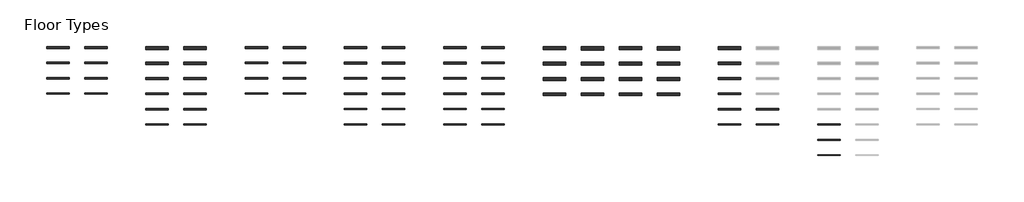
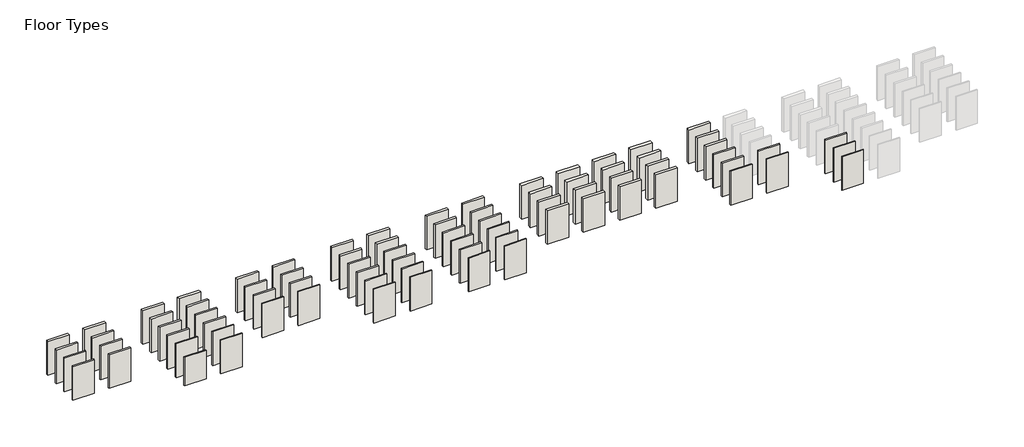
# One storey, part 1 of 3: 79 walls.
"""IFC4 building model written with IfcOpenShell, lengths in millimetres."""

from ifc_helpers import new_model, si_unit, origin, origin_with_axes, place, context, project, spatial, polyline, outline, extrude, element, save

model = new_model("IFC4")

# Units and contexts
model_context = context("Model", 3, world=origin())
ifc_project = project(units=[si_unit("LENGTHUNIT", "METRE", prefix="MILLI")], contexts=[model_context])

# Site, building, storey
site = spatial("IfcSite", under=ifc_project)
building = spatial("IfcBuilding", under=site)
storey = spatial("IfcBuildingStorey", under=building, Name="Floor Types", Elevation=0.0)

# Walls
placement = place(None, origin())
element("IfcWall", 1, at=placement, inside=storey, context=model_context, shape_type="SweptSolid", body=[
    extrude(outline(polyline([(1895.8282137, -12238.7890119), (448.019692, -12238.7890119), (448.019692, -12088.7890119), (1895.8282137, -12088.7890119), (1895.8282137, -12238.7890119)])), origin_with_axes(), (0.0, 0.0, 1.0), 2400.0),
])
element("IfcWall", 2, at=placement, inside=storey, context=model_context, shape_type="SweptSolid", body=[
    extrude(outline(polyline([(4343.6367353, -12238.7890119), (2895.8282137, -12238.7890119), (2895.8282137, -12088.7890119), (4343.6367353, -12088.7890119), (4343.6367353, -12238.7890119)])), origin_with_axes(), (0.0, 0.0, 1.0), 2400.0),
])
element("IfcWall", 3, at=placement, inside=storey, context=model_context, shape_type="SweptSolid", body=[
    extrude(outline(polyline([(1895.8282137, -13208.7890119), (448.019692, -13208.7890119), (448.019692, -13088.7890119), (1895.8282137, -13088.7890119), (1895.8282137, -13208.7890119)])), origin_with_axes(), (0.0, 0.0, 1.0), 2400.0),
])
element("IfcWall", 4, at=placement, inside=storey, context=model_context, shape_type="SweptSolid", body=[
    extrude(outline(polyline([(4343.6367353, -13208.7890119), (2895.8282137, -13208.7890119), (2895.8282137, -13088.7890119), (4343.6367353, -13088.7890119), (4343.6367353, -13208.7890119)])), origin_with_axes(), (0.0, 0.0, 1.0), 2400.0),
])
element("IfcWall", 5, at=placement, inside=storey, context=model_context, shape_type="SweptSolid", body=[
    extrude(outline(polyline([(1895.8282137, -14188.7890119), (448.019692, -14188.7890119), (448.019692, -14088.7890119), (1895.8282137, -14088.7890119), (1895.8282137, -14188.7890119)])), origin_with_axes(), (0.0, 0.0, 1.0), 2400.0),
])
element("IfcWall", 6, at=placement, inside=storey, context=model_context, shape_type="SweptSolid", body=[
    extrude(outline(polyline([(4343.6367353, -14188.7890119), (2895.8282137, -14188.7890119), (2895.8282137, -14088.7890119), (4343.6367353, -14088.7890119), (4343.6367353, -14188.7890119)])), origin_with_axes(), (0.0, 0.0, 1.0), 2400.0),
])
element("IfcWall", 7, at=placement, inside=storey, context=model_context, shape_type="SweptSolid", body=[
    extrude(outline(polyline([(1895.8282137, -15168.7890119), (448.019692, -15168.7890119), (448.019692, -15088.7890119), (1895.8282137, -15088.7890119), (1895.8282137, -15168.7890119)])), origin_with_axes(), (0.0, 0.0, 1.0), 2400.0),
])
element("IfcWall", 8, at=placement, inside=storey, context=model_context, shape_type="SweptSolid", body=[
    extrude(outline(polyline([(4343.6367353, -15168.7890119), (2895.8282137, -15168.7890119), (2895.8282137, -15088.7890119), (4343.6367353, -15088.7890119), (4343.6367353, -15168.7890119)])), origin_with_axes(), (0.0, 0.0, 1.0), 2400.0),
])
element("IfcWall", 9, at=placement, inside=storey, context=model_context, shape_type="SweptSolid", body=[
    extrude(outline(polyline([(-10895.4058729, -13208.7890119), (-12343.2143946, -13208.7890119), (-12343.2143946, -13088.7890119), (-10895.4058729, -13088.7890119), (-10895.4058729, -13208.7890119)])), origin_with_axes(), (0.0, 0.0, 1.0), 2400.0),
])
element("IfcWall", 10, at=placement, inside=storey, context=model_context, shape_type="SweptSolid", body=[
    extrude(outline(polyline([(-8447.5973513, -13208.7890119), (-9895.4058729, -13208.7890119), (-9895.4058729, -13088.7890119), (-8447.5973513, -13088.7890119), (-8447.5973513, -13208.7890119)])), origin_with_axes(), (0.0, 0.0, 1.0), 2400.0),
])
element("IfcWall", 11, at=placement, inside=storey, context=model_context, shape_type="SweptSolid", body=[
    extrude(outline(polyline([(-10895.4058729, -14188.7890119), (-12343.2143946, -14188.7890119), (-12343.2143946, -14088.7890119), (-10895.4058729, -14088.7890119), (-10895.4058729, -14188.7890119)])), origin_with_axes(), (0.0, 0.0, 1.0), 2400.0),
])
element("IfcWall", 12, at=placement, inside=storey, context=model_context, shape_type="SweptSolid", body=[
    extrude(outline(polyline([(-8447.5973513, -14188.7890119), (-9895.4058729, -14188.7890119), (-9895.4058729, -14088.7890119), (-8447.5973513, -14088.7890119), (-8447.5973513, -14188.7890119)])), origin_with_axes(), (0.0, 0.0, 1.0), 2400.0),
])
element("IfcWall", 13, at=placement, inside=storey, context=model_context, shape_type="SweptSolid", body=[
    extrude(outline(polyline([(-10895.4058729, -15168.7890119), (-12343.2143946, -15168.7890119), (-12343.2143946, -15088.7890119), (-10895.4058729, -15088.7890119), (-10895.4058729, -15168.7890119)])), origin_with_axes(), (0.0, 0.0, 1.0), 2400.0),
])
element("IfcWall", 14, at=placement, inside=storey, context=model_context, shape_type="SweptSolid", body=[
    extrude(outline(polyline([(-8447.5973513, -15168.7890119), (-9895.4058729, -15168.7890119), (-9895.4058729, -15088.7890119), (-8447.5973513, -15088.7890119), (-8447.5973513, -15168.7890119)])), origin_with_axes(), (0.0, 0.0, 1.0), 2400.0),
])
element("IfcWall", 15, at=placement, inside=storey, context=model_context, shape_type="SweptSolid", body=[
    extrude(outline(polyline([(-10895.4058729, -12238.7890119), (-12343.2143946, -12238.7890119), (-12343.2143946, -12088.7890119), (-10895.4058729, -12088.7890119), (-10895.4058729, -12238.7890119)])), origin_with_axes(), (0.0, 0.0, 1.0), 2400.0),
])
element("IfcWall", 16, at=placement, inside=storey, context=model_context, shape_type="SweptSolid", body=[
    extrude(outline(polyline([(-8447.5973513, -12238.7890119), (-9895.4058729, -12238.7890119), (-9895.4058729, -12088.7890119), (-8447.5973513, -12088.7890119), (-8447.5973513, -12238.7890119)])), origin_with_axes(), (0.0, 0.0, 1.0), 2400.0),
])
element("IfcWall", 17, at=placement, inside=storey, context=model_context, shape_type="SweptSolid", body=[
    extrude(outline(polyline([(8291.445257, -12238.7890119), (6843.6367353, -12238.7890119), (6843.6367353, -12088.7890119), (8291.445257, -12088.7890119), (8291.445257, -12238.7890119)])), origin_with_axes(), (0.0, 0.0, 1.0), 2400.0),
])
element("IfcWall", 18, at=placement, inside=storey, context=model_context, shape_type="SweptSolid", body=[
    extrude(outline(polyline([(10739.2537786, -12238.7890119), (9291.445257, -12238.7890119), (9291.445257, -12088.7890119), (10739.2537786, -12088.7890119), (10739.2537786, -12238.7890119)])), origin_with_axes(), (0.0, 0.0, 1.0), 2400.0),
])
element("IfcWall", 19, at=placement, inside=storey, context=model_context, shape_type="SweptSolid", body=[
    extrude(outline(polyline([(8291.445257, -13228.7890119), (6843.6367353, -13228.7890119), (6843.6367353, -13088.7890119), (8291.445257, -13088.7890119), (8291.445257, -13228.7890119)])), origin_with_axes(), (0.0, 0.0, 1.0), 2400.0),
])
element("IfcWall", 20, at=placement, inside=storey, context=model_context, shape_type="SweptSolid", body=[
    extrude(outline(polyline([(10739.2537786, -13228.7890119), (9291.445257, -13228.7890119), (9291.445257, -13088.7890119), (10739.2537786, -13088.7890119), (10739.2537786, -13228.7890119)])), origin_with_axes(), (0.0, 0.0, 1.0), 2400.0),
])
element("IfcWall", 21, at=placement, inside=storey, context=model_context, shape_type="SweptSolid", body=[
    extrude(outline(polyline([(8291.445257, -14208.7890119), (6843.6367353, -14208.7890119), (6843.6367353, -14088.7890119), (8291.445257, -14088.7890119), (8291.445257, -14208.7890119)])), origin_with_axes(), (0.0, 0.0, 1.0), 2400.0),
])
element("IfcWall", 22, at=placement, inside=storey, context=model_context, shape_type="SweptSolid", body=[
    extrude(outline(polyline([(10739.2537786, -14208.7890119), (9291.445257, -14208.7890119), (9291.445257, -14088.7890119), (10739.2537786, -14088.7890119), (10739.2537786, -14208.7890119)])), origin_with_axes(), (0.0, 0.0, 1.0), 2400.0),
])
element("IfcWall", 23, at=placement, inside=storey, context=model_context, shape_type="SweptSolid", body=[
    extrude(outline(polyline([(8291.445257, -15188.7890119), (6843.6367353, -15188.7890119), (6843.6367353, -15088.7890119), (8291.445257, -15088.7890119), (8291.445257, -15188.7890119)])), origin_with_axes(), (0.0, 0.0, 1.0), 2400.0),
])
element("IfcWall", 24, at=placement, inside=storey, context=model_context, shape_type="SweptSolid", body=[
    extrude(outline(polyline([(10739.2537786, -15188.7890119), (9291.445257, -15188.7890119), (9291.445257, -15088.7890119), (10739.2537786, -15088.7890119), (10739.2537786, -15188.7890119)])), origin_with_axes(), (0.0, 0.0, 1.0), 2400.0),
])
element("IfcWall", 25, at=placement, inside=storey, context=model_context, shape_type="SweptSolid", body=[
    extrude(outline(polyline([(8291.445257, -16168.7890119), (6843.6367353, -16168.7890119), (6843.6367353, -16088.7890119), (8291.445257, -16088.7890119), (8291.445257, -16168.7890119)])), origin_with_axes(), (0.0, 0.0, 1.0), 2400.0),
])
element("IfcWall", 26, at=placement, inside=storey, context=model_context, shape_type="SweptSolid", body=[
    extrude(outline(polyline([(10739.2537786, -16168.7890119), (9291.445257, -16168.7890119), (9291.445257, -16088.7890119), (10739.2537786, -16088.7890119), (10739.2537786, -16168.7890119)])), origin_with_axes(), (0.0, 0.0, 1.0), 2400.0),
])
element("IfcWall", 27, at=placement, inside=storey, context=model_context, shape_type="SweptSolid", body=[
    extrude(outline(polyline([(8291.445257, -17148.7890119), (6843.6367353, -17148.7890119), (6843.6367353, -17088.7890119), (8291.445257, -17088.7890119), (8291.445257, -17148.7890119)])), origin_with_axes(), (0.0, 0.0, 1.0), 2400.0),
])
element("IfcWall", 28, at=placement, inside=storey, context=model_context, shape_type="SweptSolid", body=[
    extrude(outline(polyline([(10739.2537786, -17148.7890119), (9291.445257, -17148.7890119), (9291.445257, -17088.7890119), (10739.2537786, -17088.7890119), (10739.2537786, -17148.7890119)])), origin_with_axes(), (0.0, 0.0, 1.0), 2400.0),
])
element("IfcWall", 29, at=placement, inside=storey, context=model_context, shape_type="SweptSolid", body=[
    extrude(outline(polyline([(14687.0623003, -12238.7890119), (13239.2537786, -12238.7890119), (13239.2537786, -12088.7890119), (14687.0623003, -12088.7890119), (14687.0623003, -12238.7890119)])), origin_with_axes(), (0.0, 0.0, 1.0), 2400.0),
])
element("IfcWall", 30, at=placement, inside=storey, context=model_context, shape_type="SweptSolid", body=[
    extrude(outline(polyline([(17134.8708219, -12238.7890119), (15687.0623003, -12238.7890119), (15687.0623003, -12088.7890119), (17134.8708219, -12088.7890119), (17134.8708219, -12238.7890119)])), origin_with_axes(), (0.0, 0.0, 1.0), 2400.0),
])
element("IfcWall", 31, at=placement, inside=storey, context=model_context, shape_type="SweptSolid", body=[
    extrude(outline(polyline([(14687.0623003, -14208.7890119), (13239.2537786, -14208.7890119), (13239.2537786, -14088.7890119), (14687.0623003, -14088.7890119), (14687.0623003, -14208.7890119)])), origin_with_axes(), (0.0, 0.0, 1.0), 2400.0),
])
element("IfcWall", 32, at=placement, inside=storey, context=model_context, shape_type="SweptSolid", body=[
    extrude(outline(polyline([(17134.8708219, -14208.7890119), (15687.0623003, -14208.7890119), (15687.0623003, -14088.7890119), (17134.8708219, -14088.7890119), (17134.8708219, -14208.7890119)])), origin_with_axes(), (0.0, 0.0, 1.0), 2400.0),
])
element("IfcWall", 33, at=placement, inside=storey, context=model_context, shape_type="SweptSolid", body=[
    extrude(outline(polyline([(14687.0623003, -15188.7890119), (13239.2537786, -15188.7890119), (13239.2537786, -15088.7890119), (14687.0623003, -15088.7890119), (14687.0623003, -15188.7890119)])), origin_with_axes(), (0.0, 0.0, 1.0), 2400.0),
])
element("IfcWall", 34, at=placement, inside=storey, context=model_context, shape_type="SweptSolid", body=[
    extrude(outline(polyline([(17134.8708219, -15188.7890119), (15687.0623003, -15188.7890119), (15687.0623003, -15088.7890119), (17134.8708219, -15088.7890119), (17134.8708219, -15188.7890119)])), origin_with_axes(), (0.0, 0.0, 1.0), 2400.0),
])
element("IfcWall", 35, at=placement, inside=storey, context=model_context, shape_type="SweptSolid", body=[
    extrude(outline(polyline([(14687.0623003, -16168.7890119), (13239.2537786, -16168.7890119), (13239.2537786, -16088.7890119), (14687.0623003, -16088.7890119), (14687.0623003, -16168.7890119)])), origin_with_axes(), (0.0, 0.0, 1.0), 2400.0),
])
element("IfcWall", 36, at=placement, inside=storey, context=model_context, shape_type="SweptSolid", body=[
    extrude(outline(polyline([(17134.8708219, -16168.7890119), (15687.0623003, -16168.7890119), (15687.0623003, -16088.7890119), (17134.8708219, -16088.7890119), (17134.8708219, -16168.7890119)])), origin_with_axes(), (0.0, 0.0, 1.0), 2400.0),
])
element("IfcWall", 37, at=placement, inside=storey, context=model_context, shape_type="SweptSolid", body=[
    extrude(outline(polyline([(14687.0623003, -17148.7890119), (13239.2537786, -17148.7890119), (13239.2537786, -17088.7890119), (14687.0623003, -17088.7890119), (14687.0623003, -17148.7890119)])), origin_with_axes(), (0.0, 0.0, 1.0), 2400.0),
])
element("IfcWall", 38, at=placement, inside=storey, context=model_context, shape_type="SweptSolid", body=[
    extrude(outline(polyline([(17134.8708219, -17148.7890119), (15687.0623003, -17148.7890119), (15687.0623003, -17088.7890119), (17134.8708219, -17088.7890119), (17134.8708219, -17148.7890119)])), origin_with_axes(), (0.0, 0.0, 1.0), 2400.0),
])
element("IfcWall", 39, at=placement, inside=storey, context=model_context, shape_type="SweptSolid", body=[
    extrude(outline(polyline([(14687.0623003, -13228.7890119), (13239.2537786, -13228.7890119), (13239.2537786, -13088.7890119), (14687.0623003, -13088.7890119), (14687.0623003, -13228.7890119)])), origin_with_axes(), (0.0, 0.0, 1.0), 2400.0),
])
element("IfcWall", 40, at=placement, inside=storey, context=model_context, shape_type="SweptSolid", body=[
    extrude(outline(polyline([(17134.8708219, -13207.7890119), (15687.0623003, -13207.7890119), (15687.0623003, -13087.7890119), (17134.8708219, -13087.7890119), (17134.8708219, -13207.7890119)])), origin_with_axes(), (0.0, 0.0, 1.0), 2400.0),
])
element("IfcWall", 41, at=placement, inside=storey, context=model_context, shape_type="SweptSolid", body=[
    extrude(outline(polyline([(32373.9134302, -12288.7890119), (30926.1049085, -12288.7890119), (30926.1049085, -12088.7890119), (32373.9134302, -12088.7890119), (32373.9134302, -12288.7890119)])), origin_with_axes(), (0.0, 0.0, 1.0), 2400.0),
])
element("IfcWall", 42, at=placement, inside=storey, context=model_context, shape_type="SweptSolid", body=[
    extrude(outline(polyline([(32373.9134302, -13258.7890119), (30926.1049085, -13258.7890119), (30926.1049085, -13088.7890119), (32373.9134302, -13088.7890119), (32373.9134302, -13258.7890119)])), origin_with_axes(), (0.0, 0.0, 1.0), 2400.0),
])
element("IfcWall", 43, at=placement, inside=storey, context=model_context, shape_type="SweptSolid", body=[
    extrude(outline(polyline([(32373.9134302, -14238.7890119), (30926.1049085, -14238.7890119), (30926.1049085, -14088.7890119), (32373.9134302, -14088.7890119), (32373.9134302, -14238.7890119)])), origin_with_axes(), (0.0, 0.0, 1.0), 2400.0),
])
element("IfcWall", 44, at=placement, inside=storey, context=model_context, shape_type="SweptSolid", body=[
    extrude(outline(polyline([(32373.9134302, -15208.7890119), (30926.1049085, -15208.7890119), (30926.1049085, -15088.7890119), (32373.9134302, -15088.7890119), (32373.9134302, -15208.7890119)])), origin_with_axes(), (0.0, 0.0, 1.0), 2400.0),
])
element("IfcWall", 45, at=placement, inside=storey, context=model_context, shape_type="SweptSolid", body=[
    extrude(outline(polyline([(32373.9134302, -16188.7890119), (30926.1049085, -16188.7890119), (30926.1049085, -16088.7890119), (32373.9134302, -16088.7890119), (32373.9134302, -16188.7890119)])), origin_with_axes(), (0.0, 0.0, 1.0), 2400.0),
])
element("IfcWall", 46, at=placement, inside=storey, context=model_context, shape_type="SweptSolid", body=[
    extrude(outline(polyline([(34821.7219518, -16188.7890119), (33373.9134302, -16188.7890119), (33373.9134302, -16088.7890119), (34821.7219518, -16088.7890119), (34821.7219518, -16188.7890119)])), origin_with_axes(), (0.0, 0.0, 1.0), 2400.0),
])
element("IfcWall", 47, at=placement, inside=storey, context=model_context, shape_type="SweptSolid", body=[
    extrude(outline(polyline([(32373.9134302, -17168.7890119), (30926.1049085, -17168.7890119), (30926.1049085, -17088.7890119), (32373.9134302, -17088.7890119), (32373.9134302, -17168.7890119)])), origin_with_axes(), (0.0, 0.0, 1.0), 2400.0),
])
element("IfcWall", 48, at=placement, inside=storey, context=model_context, shape_type="SweptSolid", body=[
    extrude(outline(polyline([(34821.7219518, -17168.7890119), (33373.9134302, -17168.7890119), (33373.9134302, -17088.7890119), (34821.7219518, -17088.7890119), (34821.7219518, -17168.7890119)])), origin_with_axes(), (0.0, 0.0, 1.0), 2400.0),
])
element("IfcWall", 49, at=placement, inside=storey, context=model_context, shape_type="SweptSolid", body=[
    extrude(outline(polyline([(38769.5304735, -17168.7890119), (37321.7219518, -17168.7890119), (37321.7219518, -17088.7890119), (38769.5304735, -17088.7890119), (38769.5304735, -17168.7890119)])), origin_with_axes(), (0.0, 0.0, 1.0), 2400.0),
])
element("IfcWall", 50, at=placement, inside=storey, context=model_context, shape_type="SweptSolid", body=[
    extrude(outline(polyline([(38769.5304735, -18148.7890119), (37321.7219518, -18148.7890119), (37321.7219518, -18088.7890119), (38769.5304735, -18088.7890119), (38769.5304735, -18148.7890119)])), origin_with_axes(), (0.0, 0.0, 1.0), 2400.0),
])
element("IfcWall", 51, at=placement, inside=storey, context=model_context, shape_type="SweptSolid", body=[
    extrude(outline(polyline([(38769.5304735, -19128.7890119), (37321.7219518, -19128.7890119), (37321.7219518, -19088.7890119), (38769.5304735, -19088.7890119), (38769.5304735, -19128.7890119)])), origin_with_axes(), (0.0, 0.0, 1.0), 2400.0),
])
element("IfcWall", 52, at=placement, inside=storey, context=model_context, shape_type="SweptSolid", body=[
    extrude(outline(polyline([(-4499.7888296, -12288.7890119), (-5947.5973513, -12288.7890119), (-5947.5973513, -12088.7890119), (-4499.7888296, -12088.7890119), (-4499.7888296, -12288.7890119)])), origin_with_axes(), (0.0, 0.0, 1.0), 2400.0),
])
element("IfcWall", 53, at=placement, inside=storey, context=model_context, shape_type="SweptSolid", body=[
    extrude(outline(polyline([(-2051.980308, -12288.7890119), (-3499.7888296, -12288.7890119), (-3499.7888296, -12088.7890119), (-2051.980308, -12088.7890119), (-2051.980308, -12288.7890119)])), origin_with_axes(), (0.0, 0.0, 1.0), 2400.0),
])
element("IfcWall", 54, at=placement, inside=storey, context=model_context, shape_type="SweptSolid", body=[
    extrude(outline(polyline([(-4499.7888296, -13258.7890119), (-5947.5973513, -13258.7890119), (-5947.5973513, -13088.7890119), (-4499.7888296, -13088.7890119), (-4499.7888296, -13258.7890119)])), origin_with_axes(), (0.0, 0.0, 1.0), 2400.0),
])
element("IfcWall", 55, at=placement, inside=storey, context=model_context, shape_type="SweptSolid", body=[
    extrude(outline(polyline([(-2051.980308, -13258.7890119), (-3499.7888296, -13258.7890119), (-3499.7888296, -13088.7890119), (-2051.980308, -13088.7890119), (-2051.980308, -13258.7890119)])), origin_with_axes(), (0.0, 0.0, 1.0), 2400.0),
])
element("IfcWall", 56, at=placement, inside=storey, context=model_context, shape_type="SweptSolid", body=[
    extrude(outline(polyline([(-4499.7888296, -14238.7890119), (-5947.5973513, -14238.7890119), (-5947.5973513, -14088.7890119), (-4499.7888296, -14088.7890119), (-4499.7888296, -14238.7890119)])), origin_with_axes(), (0.0, 0.0, 1.0), 2400.0),
])
element("IfcWall", 57, at=placement, inside=storey, context=model_context, shape_type="SweptSolid", body=[
    extrude(outline(polyline([(-2051.980308, -14238.7890119), (-3499.7888296, -14238.7890119), (-3499.7888296, -14088.7890119), (-2051.980308, -14088.7890119), (-2051.980308, -14238.7890119)])), origin_with_axes(), (0.0, 0.0, 1.0), 2400.0),
])
element("IfcWall", 58, at=placement, inside=storey, context=model_context, shape_type="SweptSolid", body=[
    extrude(outline(polyline([(-4499.7888296, -15208.7890119), (-5947.5973513, -15208.7890119), (-5947.5973513, -15088.7890119), (-4499.7888296, -15088.7890119), (-4499.7888296, -15208.7890119)])), origin_with_axes(), (0.0, 0.0, 1.0), 2400.0),
])
element("IfcWall", 59, at=placement, inside=storey, context=model_context, shape_type="SweptSolid", body=[
    extrude(outline(polyline([(-2051.980308, -15208.7890119), (-3499.7888296, -15208.7890119), (-3499.7888296, -15088.7890119), (-2051.980308, -15088.7890119), (-2051.980308, -15208.7890119)])), origin_with_axes(), (0.0, 0.0, 1.0), 2400.0),
])
element("IfcWall", 60, at=placement, inside=storey, context=model_context, shape_type="SweptSolid", body=[
    extrude(outline(polyline([(-4499.7888296, -16188.7890119), (-5947.5973513, -16188.7890119), (-5947.5973513, -16088.7890119), (-4499.7888296, -16088.7890119), (-4499.7888296, -16188.7890119)])), origin_with_axes(), (0.0, 0.0, 1.0), 2400.0),
])
element("IfcWall", 61, at=placement, inside=storey, context=model_context, shape_type="SweptSolid", body=[
    extrude(outline(polyline([(-2051.980308, -16188.7890119), (-3499.7888296, -16188.7890119), (-3499.7888296, -16088.7890119), (-2051.980308, -16088.7890119), (-2051.980308, -16188.7890119)])), origin_with_axes(), (0.0, 0.0, 1.0), 2400.0),
])
element("IfcWall", 62, at=placement, inside=storey, context=model_context, shape_type="SweptSolid", body=[
    extrude(outline(polyline([(-4499.7888296, -17168.7890119), (-5947.5973513, -17168.7890119), (-5947.5973513, -17088.7890119), (-4499.7888296, -17088.7890119), (-4499.7888296, -17168.7890119)])), origin_with_axes(), (0.0, 0.0, 1.0), 2038.7729648),
])
element("IfcWall", 63, at=placement, inside=storey, context=model_context, shape_type="SweptSolid", body=[
    extrude(outline(polyline([(-2051.980308, -17168.7890119), (-3499.7888296, -17168.7890119), (-3499.7888296, -17088.7890119), (-2051.980308, -17088.7890119), (-2051.980308, -17168.7890119)])), origin_with_axes(), (0.0, 0.0, 1.0), 2400.0),
])
element("IfcWall", 64, at=placement, inside=storey, context=model_context, shape_type="SweptSolid", body=[
    extrude(outline(polyline([(21082.6793436, -12308.7890119), (19634.8708219, -12308.7890119), (19634.8708219, -12088.7890119), (21082.6793436, -12088.7890119), (21082.6793436, -12308.7890119)])), origin_with_axes(), (0.0, 0.0, 1.0), 2400.0),
])
element("IfcWall", 65, at=placement, inside=storey, context=model_context, shape_type="SweptSolid", body=[
    extrude(outline(polyline([(21082.6793436, -13308.7890119), (19634.8708219, -13308.7890119), (19634.8708219, -13088.7890119), (21082.6793436, -13088.7890119), (21082.6793436, -13308.7890119)])), origin_with_axes(), (0.0, 0.0, 1.0), 2400.0),
])
element("IfcWall", 66, at=placement, inside=storey, context=model_context, shape_type="SweptSolid", body=[
    extrude(outline(polyline([(21082.6793436, -14288.7890119), (19634.8708219, -14288.7890119), (19634.8708219, -14088.7890119), (21082.6793436, -14088.7890119), (21082.6793436, -14288.7890119)])), origin_with_axes(), (0.0, 0.0, 1.0), 2400.0),
])
element("IfcWall", 67, at=placement, inside=storey, context=model_context, shape_type="SweptSolid", body=[
    extrude(outline(polyline([(21082.6793436, -15263.7890119), (19634.8708219, -15263.7890119), (19634.8708219, -15088.7890119), (21082.6793436, -15088.7890119), (21082.6793436, -15263.7890119)])), origin_with_axes(), (0.0, 0.0, 1.0), 2400.0),
])
element("IfcWall", 68, at=placement, inside=storey, context=model_context, shape_type="SweptSolid", body=[
    extrude(outline(polyline([(23530.4878652, -12328.7890119), (22082.6793436, -12328.7890119), (22082.6793436, -12088.7890119), (23530.4878652, -12088.7890119), (23530.4878652, -12328.7890119)])), origin_with_axes(), (0.0, 0.0, 1.0), 2400.0),
])
element("IfcWall", 69, at=placement, inside=storey, context=model_context, shape_type="SweptSolid", body=[
    extrude(outline(polyline([(23530.4878652, -13308.7890119), (22082.6793436, -13308.7890119), (22082.6793436, -13088.7890119), (23530.4878652, -13088.7890119), (23530.4878652, -13308.7890119)])), origin_with_axes(), (0.0, 0.0, 1.0), 2400.0),
])
element("IfcWall", 70, at=placement, inside=storey, context=model_context, shape_type="SweptSolid", body=[
    extrude(outline(polyline([(23530.4878652, -14288.7890119), (22082.6793436, -14288.7890119), (22082.6793436, -14088.7890119), (23530.4878652, -14088.7890119), (23530.4878652, -14288.7890119)])), origin_with_axes(), (0.0, 0.0, 1.0), 2400.0),
])
element("IfcWall", 71, at=placement, inside=storey, context=model_context, shape_type="SweptSolid", body=[
    extrude(outline(polyline([(23530.4878652, -15263.7890119), (22082.6793436, -15263.7890119), (22082.6793436, -15088.7890119), (23530.4878652, -15088.7890119), (23530.4878652, -15263.7890119)])), origin_with_axes(), (0.0, 0.0, 1.0), 2400.0),
])
element("IfcWall", 72, at=placement, inside=storey, context=model_context, shape_type="SweptSolid", body=[
    extrude(outline(polyline([(25978.2963869, -12308.7890119), (24530.4878652, -12308.7890119), (24530.4878652, -12088.7890119), (25978.2963869, -12088.7890119), (25978.2963869, -12308.7890119)])), origin_with_axes(), (0.0, 0.0, 1.0), 2400.0),
])
element("IfcWall", 73, at=placement, inside=storey, context=model_context, shape_type="SweptSolid", body=[
    extrude(outline(polyline([(25978.2963869, -13308.7890119), (24530.4878652, -13308.7890119), (24530.4878652, -13088.7890119), (25978.2963869, -13088.7890119), (25978.2963869, -13308.7890119)])), origin_with_axes(), (0.0, 0.0, 1.0), 2400.0),
])
element("IfcWall", 74, at=placement, inside=storey, context=model_context, shape_type="SweptSolid", body=[
    extrude(outline(polyline([(25978.2963869, -14288.7890119), (24530.4878652, -14288.7890119), (24530.4878652, -14088.7890119), (25978.2963869, -14088.7890119), (25978.2963869, -14288.7890119)])), origin_with_axes(), (0.0, 0.0, 1.0), 2400.0),
])
element("IfcWall", 75, at=placement, inside=storey, context=model_context, shape_type="SweptSolid", body=[
    extrude(outline(polyline([(25978.2963869, -15263.7890119), (24530.4878652, -15263.7890119), (24530.4878652, -15088.7890119), (25978.2963869, -15088.7890119), (25978.2963869, -15263.7890119)])), origin_with_axes(), (0.0, 0.0, 1.0), 2400.0),
])
element("IfcWall", 76, at=placement, inside=storey, context=model_context, shape_type="SweptSolid", body=[
    extrude(outline(polyline([(28426.1049085, -12328.7890119), (26978.2963869, -12328.7890119), (26978.2963869, -12088.7890119), (28426.1049085, -12088.7890119), (28426.1049085, -12328.7890119)])), origin_with_axes(), (0.0, 0.0, 1.0), 2400.0),
])
element("IfcWall", 77, at=placement, inside=storey, context=model_context, shape_type="SweptSolid", body=[
    extrude(outline(polyline([(28426.1049085, -13308.7890119), (26978.2963869, -13308.7890119), (26978.2963869, -13088.7890119), (28426.1049085, -13088.7890119), (28426.1049085, -13308.7890119)])), origin_with_axes(), (0.0, 0.0, 1.0), 2400.0),
])
element("IfcWall", 78, at=placement, inside=storey, context=model_context, shape_type="SweptSolid", body=[
    extrude(outline(polyline([(28426.1049085, -14288.7890119), (26978.2963869, -14288.7890119), (26978.2963869, -14088.7890119), (28426.1049085, -14088.7890119), (28426.1049085, -14288.7890119)])), origin_with_axes(), (0.0, 0.0, 1.0), 2400.0),
])
element("IfcWall", 79, at=placement, inside=storey, context=model_context, shape_type="SweptSolid", body=[
    extrude(outline(polyline([(28426.1049085, -15263.7890119), (26978.2963869, -15263.7890119), (26978.2963869, -15088.7890119), (28426.1049085, -15088.7890119), (28426.1049085, -15263.7890119)])), origin_with_axes(), (0.0, 0.0, 1.0), 2400.0),
])

save(model, "model.ifc")
